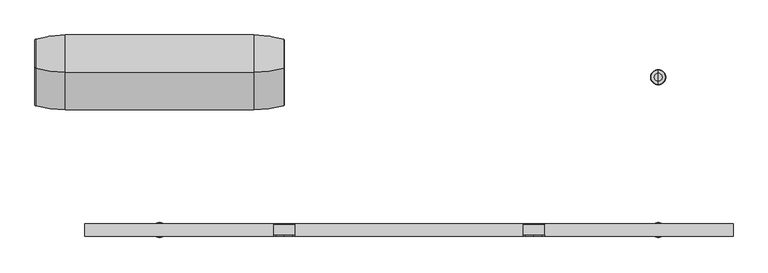
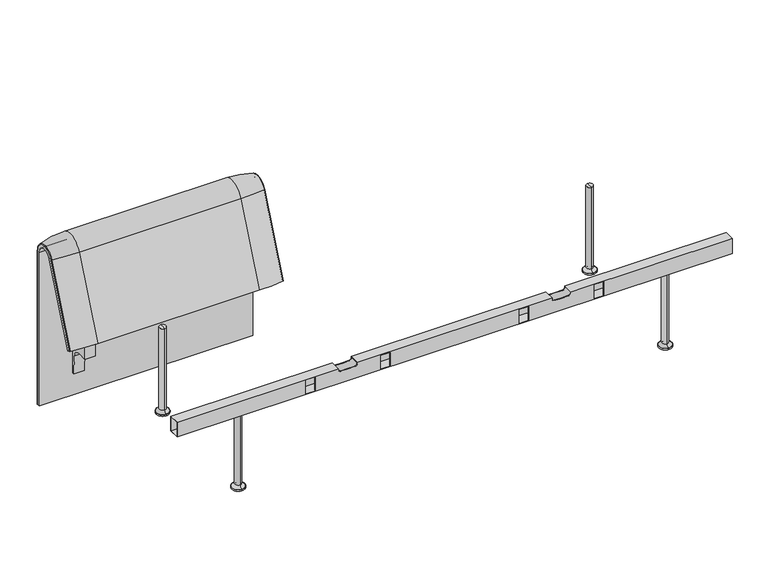
"""IFC4 building model written with IfcOpenShell, lengths in millimetres: furniture geometry."""

from ifc_helpers import new_model, si_unit, point, frame, frame_2d, origin, place, context, project, spatial, polyline, circle_curve, ellipse_curve, trimmed, segment, composite_curve, outline, extrude, source, transform, mapped, element, save
from ifc_brep_helpers import plane_surface, cylinder_surface, revolved_surface, advanced_brep


def furniture_6b040ae8(model_context):
    return source(origin(), model_context, "Body", "SolidModel", [
        advanced_brep(
        [(-507.9740803, 388.2902376, 100.5089435), (-410.1127088, 373.93893, 100.5089435), (-407.9740803, 371.0652495, 100.5089435), (-407.9740803, 359.7858817, 100.5089435), (-1223.9884174, 359.7858817, 100.5089435), (-1223.9884174, 371.0652495, 100.5089435), (-1221.8497889, 373.93893, 100.5089435), (-1123.9884174, 388.2902376, 100.5089435), (-1123.9884174, 388.2902376, 720.3417731), (-507.9740803, 388.2902376, 720.3417731), (-410.1127088, 373.93893, 720.3417731), (-407.9740803, 371.0652495, 720.3417731), (-407.9740803, 282.0164812, 738.0210907), (-407.9740803, 159.7723383, 442.2908598), (-407.9740803, 170.1962447, 437.9819952), (-407.9740803, 292.4403877, 733.7122262), (-407.9740803, 359.7858817, 720.3417731), (-1223.9884174, 359.7858817, 720.3417731), (-507.9740803, 143.8537454, 448.8710282), (-1123.9884174, 143.8537454, 448.8710282), (-1221.8497889, 157.1166065, 443.3886429), (-1223.9884174, 159.7723383, 442.2908598), (-1223.9884174, 170.1962447, 437.9819952), (-410.1127088, 157.1166065, 443.3886429), (-507.9740803, 266.0978884, 744.6012592), (-1123.9884174, 266.0978884, 744.6012592), (-410.1127088, 279.3607494, 739.1188739), (-1223.9884174, 292.4403877, 733.7122262), (-1223.9884174, 282.0164812, 738.0210907), (-1223.9884174, 371.0652495, 720.3417731), (-1221.8497889, 373.93893, 720.3417731), (-1221.8497889, 279.3607494, 739.1188739)],
        [
            (0, 1, circle_curve(frame((-507.9740803, 47.4569043, 100.5089435), z_axis=(0.0, 0.0, -1.0), x_axis=(0.0, -1.0, 0.0)), 340.8333333)),
            (1, 2, circle_curve(frame((-410.9740803, 371.0652495, 100.5089435), z_axis=(0.0, 0.0, -1.0), x_axis=(1.0, 0.0, 0.0)), 3.0)),
            (2, 3),
            (3, 4),
            (4, 5),
            (5, 6, circle_curve(frame((-1220.9884174, 371.0652495, 100.5089435), z_axis=(0.0, 0.0, -1.0), x_axis=(-1.0, 0.0, 0.0)), 3.0)),
            (6, 7, circle_curve(frame((-1123.9884174, 47.4569043, 100.5089435), z_axis=(0.0, 0.0, -1.0), x_axis=(0.0, -1.0, 0.0)), 340.8333333)),
            (7, 0),
            (7, 8),
            (8, 9),
            (9, 0),
            (9, 10, circle_curve(frame((-507.9740803, 47.4569043, 720.3417731), z_axis=(0.0, 0.0, -1.0), x_axis=(0.0, -1.0, 0.0)), 340.8333333)),
            (10, 1),
            (10, 11, circle_curve(frame((-410.9740803, 371.0652495, 720.3417731), z_axis=(0.0, 0.0, -1.0), x_axis=(1.0, 0.0, 0.0)), 3.0)),
            (11, 2),
            (11, 12, circle_curve(frame((-407.9740803, 324.7858817, 720.3417731), z_axis=(1.0, 0.0, 0.0), x_axis=(0.0, 1.0, 0.0)), 46.2793679)),
            (12, 13),
            (13, 14),
            (14, 15),
            (15, 16, circle_curve(frame((-407.9740803, 324.7858817, 720.3417731), z_axis=(-1.0, 0.0, 0.0), x_axis=(0.0, 1.0, 0.0)), 35.0)),
            (16, 3),
            (16, 17),
            (17, 4),
            (18, 19),
            (19, 20, circle_curve(frame((-1123.9884174, 458.8372467, 318.6682822), z_axis=(0.0, -0.38201294675155345, -0.9241569717933176), x_axis=(0.0, 0.9241569717933176, -0.38201294675155345)), 340.8333333)),
            (20, 21, circle_curve(frame((-1220.9884174, 159.7723383, 442.2908598), z_axis=(0.0, -0.38201294675155345, -0.9241569717933176), x_axis=(-1.0, 0.0, 0.0)), 3.0)),
            (21, 22),
            (22, 14),
            (13, 23, circle_curve(frame((-410.9740803, 159.7723383, 442.2908598), z_axis=(0.0, -0.38201294675155345, -0.9241569717933176), x_axis=(1.0, 0.0, 0.0)), 3.0)),
            (23, 18, circle_curve(frame((-507.9740803, 458.8372467, 318.6682822), z_axis=(0.0, -0.38201294675155345, -0.9241569717933176), x_axis=(0.0, 0.9241569717933176, -0.38201294675155345)), 340.8333333)),
            (24, 9, circle_curve(frame((-507.9740803, 324.7858817, 720.3417731), z_axis=(-1.0, 0.0, 0.0), x_axis=(0.0, 1.0, 0.0)), 63.5043559)),
            (8, 25, circle_curve(frame((-1123.9884174, 324.7858817, 720.3417731), z_axis=(1.0, 0.0, 0.0), x_axis=(0.0, 1.0, 0.0)), 63.5043559)),
            (25, 24),
            (26, 10, circle_curve(frame((-410.1127088, 324.7858817, 720.3417731), z_axis=(-1.0, 0.0, 0.0), x_axis=(0.0, 1.0, 0.0)), 49.1530483)),
            (24, 26, circle_curve(frame((-507.9740803, 581.0813896, 614.3985132), z_axis=(0.0, 0.382012946751556, 0.9241569717933165), x_axis=(0.0, 0.9241569717933165, -0.382012946751556)), 340.8333333)),
            (26, 12, circle_curve(frame((-410.9740803, 282.0164812, 738.0210907), z_axis=(0.0, 0.3820129467515552, 0.9241569717933168), x_axis=(1.0, 0.0, 0.0)), 3.0)),
            (27, 17, circle_curve(frame((-1223.9884174, 324.7858817, 720.3417731), z_axis=(-1.0, 0.0, 0.0), x_axis=(0.0, 1.0, 0.0)), 35.0)),
            (15, 27),
            (25, 19),
            (18, 24),
            (23, 26),
            (22, 27),
            (21, 28),
            (28, 29, circle_curve(frame((-1223.9884174, 324.7858817, 720.3417731), z_axis=(-1.0, 0.0, 0.0), x_axis=(0.0, 1.0, 0.0)), 46.2793679)),
            (29, 5),
            (29, 30, circle_curve(frame((-1220.9884174, 371.0652495, 720.3417731), z_axis=(0.0, 0.0, -1.0), x_axis=(-1.0, 0.0, 0.0)), 3.0)),
            (30, 6),
            (30, 8, circle_curve(frame((-1123.9884174, 47.4569043, 720.3417731), z_axis=(0.0, 0.0, -1.0), x_axis=(0.0, -1.0, 0.0)), 340.8333333)),
            (31, 30, circle_curve(frame((-1221.8497889, 324.7858817, 720.3417731), z_axis=(-1.0, 0.0, 0.0), x_axis=(0.0, 1.0, 0.0)), 49.1530483)),
            (28, 31, circle_curve(frame((-1220.9884174, 282.0164812, 738.0210907), z_axis=(0.0, 0.3820129467515544, 0.9241569717933172), x_axis=(-1.0, 0.0, 0.0)), 3.0)),
            (31, 25, circle_curve(frame((-1123.9884174, 581.0813896, 614.3985132), z_axis=(0.0, 0.3820129467515532, 0.9241569717933177), x_axis=(0.0, 0.9241569717933177, -0.3820129467515532)), 340.8333333)),
            (20, 31),
        ],
        [
            plane_surface(frame((-811.2162256, 359.7858817, 100.5089435), z_axis=(0.0, 0.0, -1.0), x_axis=(1.0, 0.0, 0.0))),
            plane_surface(frame((-1123.9884174, 388.2902376, 100.5089435), z_axis=(0.0, 1.0, 0.0), x_axis=(0.0, 0.0, 1.0))),
            cylinder_surface(frame((-507.9740803, 47.4569043, 100.5089435), z_axis=(0.0, 0.0, -1.0), x_axis=(0.0, -1.0, 0.0)), 340.8333333),
            cylinder_surface(frame((-410.9740803, 371.0652495, 100.5089435), z_axis=(0.0, 0.0, -1.0), x_axis=(1.0, 0.0, 0.0)), 3.0),
            plane_surface(frame((-407.9740803, 371.0652495, 100.5089435), z_axis=(1.0, 0.0, 0.0), x_axis=(0.0, 0.0, 1.0))),
            plane_surface(frame((-407.9740803, 359.7858817, 100.5089435), z_axis=(0.0, -1.0, 0.0), x_axis=(0.0, 0.0, 1.0))),
            plane_surface(frame((-811.2162256, 170.1962447, 437.9819952), z_axis=(0.0, -0.38201294675155345, -0.9241569717933176), x_axis=(1.0, 0.0, 0.0))),
            cylinder_surface(frame((-811.2162256, 324.7858817, 720.3417731), z_axis=(1.0, 0.0, 0.0), x_axis=(0.0, 1.0, 0.0)), 63.5043559),
            revolved_surface(trimmed(ellipse_curve(frame((-507.9740803, 47.4569043, 720.3417731), z_axis=(0.0, 0.0, -1.0), x_axis=(0.0, -1.0, 0.0)), 340.8333333, 340.8333333), [point((-507.9740803, 388.2902376, 720.3417731))], [point((-410.1127088, 373.93893, 720.3417731))], True, "CARTESIAN"), (-811.2162256, 324.7858817, 720.3417731), (1.0, 0.0, 0.0)),
            revolved_surface(trimmed(ellipse_curve(frame((-410.9740803, 371.0652495, 720.3417731), z_axis=(0.0, 0.0, -1.0), x_axis=(1.0, 0.0, 0.0)), 3.0, 3.0), [point((-410.1127088, 373.93893, 720.3417731))], [point((-407.9740803, 371.0652495, 720.3417731))], True, "CARTESIAN"), (-811.2162256, 324.7858817, 720.3417731), (1.0, 0.0, 0.0)),
            revolved_surface(polyline([(-407.9740803, 359.7858817, 720.3417731), (-1223.9884174, 359.7858817, 720.3417731)]), (-811.2162256, 324.7858817, 720.3417731), (1.0, 0.0, 0.0)),
            plane_surface(frame((-1123.9884174, 266.0978884, 744.6012592), z_axis=(0.0, -0.9241569717933176, 0.38201294675155356), x_axis=(0.0, -0.38201294675155356, -0.9241569717933176))),
            cylinder_surface(frame((-507.9740803, 581.0813896, 614.3985132), z_axis=(0.0, 0.38201294675155345, 0.9241569717933176), x_axis=(0.0, 0.9241569717933176, -0.38201294675155345)), 340.8333333),
            cylinder_surface(frame((-410.9740803, 282.0164812, 738.0210907), z_axis=(0.0, 0.38201294675155345, 0.9241569717933176), x_axis=(1.0, 0.0, 0.0)), 3.0),
            plane_surface(frame((-407.9740803, 292.4403877, 733.7122262), z_axis=(0.0, 0.9241569717933176, -0.38201294675155356), x_axis=(0.0, -0.38201294675155356, -0.9241569717933176))),
            plane_surface(frame((-1223.9884174, 359.7858817, 100.5089435), z_axis=(-1.0, 0.0, 0.0), x_axis=(0.0, 0.0, 1.0))),
            cylinder_surface(frame((-1220.9884174, 371.0652495, 100.5089435), z_axis=(0.0, 0.0, -1.0), x_axis=(-1.0, 0.0, 0.0)), 3.0),
            cylinder_surface(frame((-1123.9884174, 47.4569043, 100.5089435), z_axis=(0.0, 0.0, -1.0), x_axis=(0.0, -1.0, 0.0)), 340.8333333),
            revolved_surface(trimmed(ellipse_curve(frame((-1220.9884174, 371.0652495, 720.3417731), z_axis=(0.0, 0.0, -1.0), x_axis=(-1.0, 0.0, 0.0)), 3.0, 3.0), [point((-1223.9884174, 371.0652495, 720.3417731))], [point((-1221.8497889, 373.93893, 720.3417731))], True, "CARTESIAN"), (-811.2162256, 324.7858817, 720.3417731), (1.0, 0.0, 0.0)),
            revolved_surface(trimmed(ellipse_curve(frame((-1123.9884174, 47.4569043, 720.3417731), z_axis=(0.0, 0.0, -1.0), x_axis=(0.0, -1.0, 0.0)), 340.8333333, 340.8333333), [point((-1221.8497889, 373.93893, 720.3417731))], [point((-1123.9884174, 388.2902376, 720.3417731))], True, "CARTESIAN"), (-811.2162256, 324.7858817, 720.3417731), (1.0, 0.0, 0.0)),
            cylinder_surface(frame((-1220.9884174, 282.0164812, 738.0210907), z_axis=(0.0, 0.38201294675155345, 0.9241569717933176), x_axis=(-1.0, 0.0, 0.0)), 3.0),
            cylinder_surface(frame((-1123.9884174, 581.0813896, 614.3985132), z_axis=(0.0, 0.38201294675155345, 0.9241569717933176), x_axis=(0.0, 0.9241569717933176, -0.38201294675155345)), 340.8333333),
        ],
        [
            (0, [[1, 2, 3, 4, 5, 6, 7, 8]]),
            (1, [[-8, 9, 10, 11]]),
            (2, [[-1, -11, 12, 13]]),
            (3, [[-2, -13, 14, 15]]),
            (4, [[-3, -15, 16, 17, 18, 19, 20, 21]]),
            (5, [[-4, -21, 22, 23]]),
            (6, [[24, 25, 26, 27, 28, -18, 29, 30]]),
            (7, [[31, -10, 32, 33]]),
            (8, [[34, -12, -31, 35]]),
            (9, [[-16, -14, -34, 36]]),
            (10, [[37, -22, -20, 38]]),
            (11, [[-33, 39, -24, 40]]),
            (12, [[-35, -40, -30, 41]]),
            (13, [[-36, -41, -29, -17]]),
            (14, [[-38, -19, -28, 42]]),
            (15, [[-5, -23, -37, -42, -27, 43, 44, 45]]),
            (16, [[-6, -45, 46, 47]]),
            (17, [[-7, -47, 48, -9]]),
            (18, [[49, -46, -44, 50]]),
            (19, [[-32, -48, -49, 51]]),
            (20, [[-50, -43, -26, 52]]),
            (21, [[-51, -52, -25, -39]]),
        ],
    ),
        extrude(outline(composite_curve([segment(trimmed(circle_curve(frame_2d((305.0000061, 379.9223263)), 30.0), [point((305.0000061, 349.9223263))], [point((335.0000061, 379.9223263))], True, "CARTESIAN"), True, "CONTINUOUS"), segment(polyline([(335.0000061, 379.9223263), (335.0000061, 515.0657595)]), True, "CONTINUOUS"), segment(trimmed(circle_curve(frame_2d((305.0000061, 515.0657595)), 30.0), [point((335.0000061, 515.0657595))], [point((316.7219399, 542.6809051))], True, "CARTESIAN"), True, "CONTINUOUS"), segment(polyline([(316.7219399, 542.6809051), (257.4911714, 567.8228747)]), True, "CONTINUOUS"), segment(trimmed(circle_curve(frame_2d((251.6302045, 554.0153019)), 15.0), [point((257.4911714, 567.8228747))], [point((238.0355877, 560.3545758))], True, "CARTESIAN"), True, "CONTINUOUS"), segment(polyline([(238.0355877, 560.3545758), (222.2725218, 526.5505721), (213.7507451, 529.5682915), (296.3054528, 724.0549949)]), True, "CONTINUOUS"), segment(trimmed(circle_curve(frame_2d((322.520748, 712.9272623)), 28.479258), [point((296.3054528, 724.0549949))], [point((351.0000061, 712.9272623))], False, "CARTESIAN"), True, "CONTINUOUS"), segment(polyline([(351.0000061, 712.9272623), (351.0000061, 197.0551771), (343.3075759, 197.0551771), (339.4064861, 271.492405)]), True, "CONTINUOUS"), segment(trimmed(circle_curve(frame_2d((309.4476, 269.9223263)), 30.0), [point((339.4064861, 271.492405))], [point((309.4476, 299.9223263))], True, "CARTESIAN"), True, "CONTINUOUS"), segment(polyline([(309.4476, 299.9223263), (270.0000061, 299.9223263), (270.0000061, 359.9223263), (275.0000061, 359.9223263)]), True, "CONTINUOUS"), segment(trimmed(circle_curve(frame_2d((285.0000061, 359.9223263)), 10.0), [point((275.0000061, 359.9223263))], [point((285.0000061, 349.9223263))], True, "CARTESIAN"), True, "CONTINUOUS"), segment(polyline([(285.0000061, 349.9223263), (305.0000061, 349.9223263)]), True, "CONTINUOUS")], self_intersect=False), holes=[composite_curve([segment(polyline([(337.5000061, 576.3274105), (337.5000061, 716.7072663)]), True, "CONTINUOUS"), segment(trimmed(circle_curve(frame_2d((322.5000061, 716.7072663)), 15.0), [point((337.5000061, 716.7072663))], [point((308.9053893, 723.0465402))], True, "CARTESIAN"), True, "CONTINUOUS"), segment(polyline([(308.9053893, 723.0465402), (253.6256191, 604.4986904)]), True, "CONTINUOUS"), segment(trimmed(circle_curve(frame_2d((271.7517748, 596.0463251)), 20.0), [point((253.6256191, 604.4986904))], [point((265.0756376, 577.1934953))], True, "CARTESIAN"), True, "CONTINUOUS"), segment(polyline([(265.0756376, 577.1934953), (314.1406626, 559.8186587)]), True, "CONTINUOUS"), segment(trimmed(circle_curve(frame_2d((319.9867182, 576.3274105)), 17.5132879), [point((314.1406626, 559.8186587))], [point((337.5000061, 576.3274105))], True, "CARTESIAN"), True, "CONTINUOUS")], self_intersect=False)]), frame((-1100.9760457, 0.0, 0.0), z_axis=(1.0, 0.0, 0.0), x_axis=(0.0, 1.0, 0.0)), (0.0, 0.0, 1.0), 40.0),
        advanced_brep(
        [(815.9812488, -250.0000031, 0.0), (815.9812488, -225.0000031, 0.0), (815.9812488, -275.0000031, 0.0), (815.9812488, -262.4715672, 344.8637637), (815.9812488, -237.5284391, 344.8637637), (815.9812488, -250.0000031, 344.8637637), (815.9812488, -262.4715672, 16.2604994), (815.9812488, -237.5284391, 16.2604994), (815.9812488, -273.2294713, 5.5025953), (815.9812488, -226.770535, 5.5025953), (815.9812488, -275.0000031, 5.5025953), (815.9812488, -225.0000031, 5.5025953)],
        [
            (0, 1),
            (1, 2, circle_curve(frame((815.9812488, -250.0000031, 0.0), z_axis=(0.0, 0.0, -1.0), x_axis=(0.0, 1.0, 0.0)), 25.0)),
            (2, 0),
            (2, 1, circle_curve(frame((815.9812488, -250.0000031, 0.0), z_axis=(0.0, 0.0, -1.0), x_axis=(0.0, 1.0, 0.0)), 25.0)),
            (3, 4, circle_curve(frame((815.9812488, -250.0000031, 344.8637637), z_axis=(0.0, 0.0, 1.0), x_axis=(0.0, 1.0, 0.0)), 12.471564)),
            (4, 5),
            (5, 3),
            (4, 3, circle_curve(frame((815.9812488, -250.0000031, 344.8637637), z_axis=(0.0, 0.0, 1.0), x_axis=(0.0, 1.0, 0.0)), 12.471564)),
            (6, 7, circle_curve(frame((815.9812488, -250.0000031, 16.2604994), z_axis=(0.0, 0.0, 1.0), x_axis=(0.0, 1.0, 0.0)), 12.471564)),
            (7, 4),
            (3, 6),
            (7, 6, circle_curve(frame((815.9812488, -250.0000031, 16.2604994), z_axis=(0.0, 0.0, 1.0), x_axis=(0.0, 1.0, 0.0)), 12.471564)),
            (8, 9, circle_curve(frame((815.9812488, -250.0000031, 5.5025953), z_axis=(0.0, 0.0, 1.0), x_axis=(0.0, 1.0, 0.0)), 23.2294681)),
            (9, 7, circle_curve(frame((815.9812488, -226.770535, 16.2604994), z_axis=(-1.0, 0.0, 0.0), x_axis=(0.0, 1.0, 0.0)), 10.7579041)),
            (6, 8, circle_curve(frame((815.9812488, -273.2294713, 16.2604994), z_axis=(-1.0, 0.0, 0.0), x_axis=(0.0, -1.0, 0.0)), 10.7579041)),
            (9, 8, circle_curve(frame((815.9812488, -250.0000031, 5.5025953), z_axis=(0.0, 0.0, 1.0), x_axis=(0.0, 1.0, 0.0)), 23.2294681)),
            (10, 11, circle_curve(frame((815.9812488, -250.0000031, 5.5025953), z_axis=(0.0, 0.0, 1.0), x_axis=(0.0, 1.0, 0.0)), 25.0)),
            (11, 9),
            (8, 10),
            (11, 10, circle_curve(frame((815.9812488, -250.0000031, 5.5025953), z_axis=(0.0, 0.0, 1.0), x_axis=(0.0, 1.0, 0.0)), 25.0)),
            (1, 11),
            (10, 2),
        ],
        [
            plane_surface(frame((815.9812488, -250.0000031, 0.0), z_axis=(0.0, 0.0, -1.0), x_axis=(0.0, 1.0, 0.0))),
            plane_surface(frame((815.9812488, -250.0000031, 344.8637637), z_axis=(0.0, 0.0, 1.0), x_axis=(0.0, 1.0, 0.0))),
            cylinder_surface(frame((815.9812488, -250.0000031, 344.8637637), z_axis=(0.0, 0.0, -1.0), x_axis=(0.0, 1.0, 0.0)), 12.471564),
            revolved_surface(trimmed(ellipse_curve(frame((815.9812488, -226.770535, 16.2604994), z_axis=(1.0, 0.0, 0.0), x_axis=(0.0, 1.0, 0.0)), 10.7579041, 10.7579041), [point((815.9812488, -237.5284391, 16.2604994))], [point((815.9812488, -226.770535, 5.5025953))], True, "CARTESIAN"), (815.9812488, -250.0000031, 344.8637637), (0.0, 0.0, -1.0)),
            plane_surface(frame((815.9812488, -250.0000031, 5.5025953), z_axis=(0.0, 0.0, 1.0), x_axis=(0.0, 1.0, 0.0))),
            cylinder_surface(frame((815.9812488, -250.0000031, 344.8637637), z_axis=(0.0, 0.0, -1.0), x_axis=(0.0, 1.0, 0.0)), 25.0),
        ],
        [
            (0, [[1, 2, 3]]),
            (0, [[-3, 4, -1]]),
            (1, [[5, 6, 7]]),
            (1, [[8, -7, -6]]),
            (2, [[9, 10, -5, 11]]),
            (2, [[12, -11, -8, -10]]),
            (3, [[13, 14, -9, 15]]),
            (3, [[16, -15, -12, -14]]),
            (4, [[17, 18, -13, 19]]),
            (4, [[20, -19, -16, -18]]),
            (5, [[-2, 21, -17, 22]]),
            (5, [[-4, -22, -20, -21]]),
        ],
    ),
        advanced_brep(
        [(815.9812488, 275.0000031, 0.0), (815.9812488, 225.0000031, 0.0), (815.9812488, 250.0000031, 0.0), (815.9812488, 250.0000031, 344.8637637), (815.9812488, 237.5284391, 344.8637637), (815.9812488, 262.4715672, 344.8637637), (815.9812488, 237.5284391, 16.2604994), (815.9812488, 262.4715672, 16.2604994), (815.9812488, 226.770535, 5.5025953), (815.9812488, 273.2294713, 5.5025953), (815.9812488, 225.0000031, 5.5025953), (815.9812488, 275.0000031, 5.5025953)],
        [
            (0, 1, circle_curve(frame((815.9812488, 250.0000031, 0.0), z_axis=(0.0, 0.0, -1.0), x_axis=(0.0, -1.0, 0.0)), 25.0)),
            (1, 2),
            (2, 0),
            (1, 0, circle_curve(frame((815.9812488, 250.0000031, 0.0), z_axis=(0.0, 0.0, -1.0), x_axis=(0.0, -1.0, 0.0)), 25.0)),
            (3, 4),
            (4, 5, circle_curve(frame((815.9812488, 250.0000031, 344.8637637), z_axis=(0.0, 0.0, 1.0), x_axis=(0.0, -1.0, 0.0)), 12.471564)),
            (5, 3),
            (5, 4, circle_curve(frame((815.9812488, 250.0000031, 344.8637637), z_axis=(0.0, 0.0, 1.0), x_axis=(0.0, -1.0, 0.0)), 12.471564)),
            (4, 6),
            (6, 7, circle_curve(frame((815.9812488, 250.0000031, 16.2604994), z_axis=(0.0, 0.0, 1.0), x_axis=(0.0, -1.0, 0.0)), 12.471564)),
            (7, 5),
            (7, 6, circle_curve(frame((815.9812488, 250.0000031, 16.2604994), z_axis=(0.0, 0.0, 1.0), x_axis=(0.0, -1.0, 0.0)), 12.471564)),
            (6, 8, circle_curve(frame((815.9812488, 226.770535, 16.2604994), z_axis=(-1.0, 0.0, 0.0), x_axis=(0.0, -1.0, 0.0)), 10.7579041)),
            (8, 9, circle_curve(frame((815.9812488, 250.0000031, 5.5025953), z_axis=(0.0, 0.0, 1.0), x_axis=(0.0, -1.0, 0.0)), 23.2294681)),
            (9, 7, circle_curve(frame((815.9812488, 273.2294713, 16.2604994), z_axis=(-1.0, 0.0, 0.0), x_axis=(0.0, 1.0, 0.0)), 10.7579041)),
            (9, 8, circle_curve(frame((815.9812488, 250.0000031, 5.5025953), z_axis=(0.0, 0.0, 1.0), x_axis=(0.0, -1.0, 0.0)), 23.2294681)),
            (8, 10),
            (10, 11, circle_curve(frame((815.9812488, 250.0000031, 5.5025953), z_axis=(0.0, 0.0, 1.0), x_axis=(0.0, -1.0, 0.0)), 25.0)),
            (11, 9),
            (11, 10, circle_curve(frame((815.9812488, 250.0000031, 5.5025953), z_axis=(0.0, 0.0, 1.0), x_axis=(0.0, -1.0, 0.0)), 25.0)),
            (10, 1),
            (0, 11),
        ],
        [
            plane_surface(frame((815.9812488, 250.0000031, 0.0), z_axis=(0.0, 0.0, -1.0), x_axis=(0.0, -1.0, 0.0))),
            plane_surface(frame((815.9812488, 250.0000031, 344.8637637), z_axis=(0.0, 0.0, 1.0), x_axis=(0.0, -1.0, 0.0))),
            cylinder_surface(frame((815.9812488, 250.0000031, 344.8637637), z_axis=(0.0, 0.0, 1.0), x_axis=(0.0, -1.0, 0.0)), 12.471564),
            revolved_surface(trimmed(ellipse_curve(frame((815.9812488, 226.770535, 16.2604994), z_axis=(1.0, 0.0, 0.0), x_axis=(0.0, -1.0, 0.0)), 10.7579041, 10.7579041), [point((815.9812488, 226.770535, 5.5025953))], [point((815.9812488, 237.5284391, 16.2604994))], True, "CARTESIAN"), (815.9812488, 250.0000031, 344.8637637), (0.0, 0.0, 1.0)),
            plane_surface(frame((815.9812488, 250.0000031, 5.5025953), z_axis=(0.0, 0.0, 1.0), x_axis=(0.0, -1.0, 0.0))),
            cylinder_surface(frame((815.9812488, 250.0000031, 344.8637637), z_axis=(0.0, 0.0, 1.0), x_axis=(0.0, -1.0, 0.0)), 25.0),
        ],
        [
            (0, [[1, 2, 3]]),
            (0, [[4, -3, -2]]),
            (1, [[5, 6, 7]]),
            (1, [[-7, 8, -5]]),
            (2, [[-6, 9, 10, 11]]),
            (2, [[-8, -11, 12, -9]]),
            (3, [[-10, 13, 14, 15]]),
            (3, [[-12, -15, 16, -13]]),
            (4, [[-14, 17, 18, 19]]),
            (4, [[-16, -19, 20, -17]]),
            (5, [[-18, 21, -1, 22]]),
            (5, [[-20, -22, -4, -21]]),
        ],
    ),
        advanced_brep(
        [(-815.9812488, -275.0000031, 0.0), (-815.9812488, -225.0000031, 0.0), (-815.9812488, -250.0000031, 0.0), (-815.9812488, -250.0000031, 344.8637637), (-815.9812488, -237.5284391, 344.8637637), (-815.9812488, -262.4715672, 344.8637637), (-815.9812488, -237.5284391, 16.2604994), (-815.9812488, -262.4715672, 16.2604994), (-815.9812488, -226.770535, 5.5025953), (-815.9812488, -273.2294713, 5.5025953), (-815.9812488, -225.0000031, 5.5025953), (-815.9812488, -275.0000031, 5.5025953)],
        [
            (0, 1, circle_curve(frame((-815.9812488, -250.0000031, 0.0), z_axis=(0.0, 0.0, -1.0), x_axis=(0.0, 1.0, 0.0)), 25.0)),
            (1, 2),
            (2, 0),
            (1, 0, circle_curve(frame((-815.9812488, -250.0000031, 0.0), z_axis=(0.0, 0.0, -1.0), x_axis=(0.0, 1.0, 0.0)), 25.0)),
            (3, 4),
            (4, 5, circle_curve(frame((-815.9812488, -250.0000031, 344.8637637), z_axis=(0.0, 0.0, 1.0), x_axis=(0.0, 1.0, 0.0)), 12.471564)),
            (5, 3),
            (5, 4, circle_curve(frame((-815.9812488, -250.0000031, 344.8637637), z_axis=(0.0, 0.0, 1.0), x_axis=(0.0, 1.0, 0.0)), 12.471564)),
            (4, 6),
            (6, 7, circle_curve(frame((-815.9812488, -250.0000031, 16.2604994), z_axis=(0.0, 0.0, 1.0), x_axis=(0.0, 1.0, 0.0)), 12.471564)),
            (7, 5),
            (7, 6, circle_curve(frame((-815.9812488, -250.0000031, 16.2604994), z_axis=(0.0, 0.0, 1.0), x_axis=(0.0, 1.0, 0.0)), 12.471564)),
            (6, 8, circle_curve(frame((-815.9812488, -226.770535, 16.2604994), z_axis=(1.0, 0.0, 0.0), x_axis=(0.0, 1.0, 0.0)), 10.7579041)),
            (8, 9, circle_curve(frame((-815.9812488, -250.0000031, 5.5025953), z_axis=(0.0, 0.0, 1.0), x_axis=(0.0, 1.0, 0.0)), 23.2294681)),
            (9, 7, circle_curve(frame((-815.9812488, -273.2294713, 16.2604994), z_axis=(1.0, 0.0, 0.0), x_axis=(0.0, -1.0, 0.0)), 10.7579041)),
            (9, 8, circle_curve(frame((-815.9812488, -250.0000031, 5.5025953), z_axis=(0.0, 0.0, 1.0), x_axis=(0.0, 1.0, 0.0)), 23.2294681)),
            (8, 10),
            (10, 11, circle_curve(frame((-815.9812488, -250.0000031, 5.5025953), z_axis=(0.0, 0.0, 1.0), x_axis=(0.0, 1.0, 0.0)), 25.0)),
            (11, 9),
            (11, 10, circle_curve(frame((-815.9812488, -250.0000031, 5.5025953), z_axis=(0.0, 0.0, 1.0), x_axis=(0.0, 1.0, 0.0)), 25.0)),
            (10, 1),
            (0, 11),
        ],
        [
            plane_surface(frame((-815.9812488, -250.0000031, 0.0), z_axis=(0.0, 0.0, -1.0), x_axis=(0.0, 1.0, 0.0))),
            plane_surface(frame((-815.9812488, -250.0000031, 344.8637637), z_axis=(0.0, 0.0, 1.0), x_axis=(0.0, 1.0, 0.0))),
            cylinder_surface(frame((-815.9812488, -250.0000031, 344.8637637), z_axis=(0.0, 0.0, 1.0), x_axis=(0.0, 1.0, 0.0)), 12.471564),
            revolved_surface(trimmed(ellipse_curve(frame((-815.9812488, -226.770535, 16.2604994), z_axis=(-1.0, 0.0, 0.0), x_axis=(0.0, 1.0, 0.0)), 10.7579041, 10.7579041), [point((-815.9812488, -226.770535, 5.5025953))], [point((-815.9812488, -237.5284391, 16.2604994))], True, "CARTESIAN"), (-815.9812488, -250.0000031, 344.8637637), (0.0, 0.0, 1.0)),
            plane_surface(frame((-815.9812488, -250.0000031, 5.5025953), z_axis=(0.0, 0.0, 1.0), x_axis=(0.0, 1.0, 0.0))),
            cylinder_surface(frame((-815.9812488, -250.0000031, 344.8637637), z_axis=(0.0, 0.0, 1.0), x_axis=(0.0, 1.0, 0.0)), 25.0),
        ],
        [
            (0, [[1, 2, 3]]),
            (0, [[4, -3, -2]]),
            (1, [[5, 6, 7]]),
            (1, [[-7, 8, -5]]),
            (2, [[-6, 9, 10, 11]]),
            (2, [[-8, -11, 12, -9]]),
            (3, [[-10, 13, 14, 15]]),
            (3, [[-12, -15, 16, -13]]),
            (4, [[-14, 17, 18, 19]]),
            (4, [[-16, -19, 20, -17]]),
            (5, [[-18, 21, -1, 22]]),
            (5, [[-20, -22, -4, -21]]),
        ],
    ),
        advanced_brep(
        [(-815.9812488, 250.0000031, 0.0), (-815.9812488, 225.0000031, 0.0), (-815.9812488, 275.0000031, 0.0), (-815.9812488, 262.4715672, 344.8637637), (-815.9812488, 237.5284391, 344.8637637), (-815.9812488, 250.0000031, 344.8637637), (-815.9812488, 262.4715672, 16.2604994), (-815.9812488, 237.5284391, 16.2604994), (-815.9812488, 273.2294713, 5.5025953), (-815.9812488, 226.770535, 5.5025953), (-815.9812488, 275.0000031, 5.5025953), (-815.9812488, 225.0000031, 5.5025953)],
        [
            (0, 1),
            (1, 2, circle_curve(frame((-815.9812488, 250.0000031, 0.0), z_axis=(0.0, 0.0, -1.0), x_axis=(0.0, -1.0, 0.0)), 25.0)),
            (2, 0),
            (2, 1, circle_curve(frame((-815.9812488, 250.0000031, 0.0), z_axis=(0.0, 0.0, -1.0), x_axis=(0.0, -1.0, 0.0)), 25.0)),
            (3, 4, circle_curve(frame((-815.9812488, 250.0000031, 344.8637637), z_axis=(0.0, 0.0, 1.0), x_axis=(0.0, -1.0, 0.0)), 12.471564)),
            (4, 5),
            (5, 3),
            (4, 3, circle_curve(frame((-815.9812488, 250.0000031, 344.8637637), z_axis=(0.0, 0.0, 1.0), x_axis=(0.0, -1.0, 0.0)), 12.471564)),
            (6, 7, circle_curve(frame((-815.9812488, 250.0000031, 16.2604994), z_axis=(0.0, 0.0, 1.0), x_axis=(0.0, -1.0, 0.0)), 12.471564)),
            (7, 4),
            (3, 6),
            (7, 6, circle_curve(frame((-815.9812488, 250.0000031, 16.2604994), z_axis=(0.0, 0.0, 1.0), x_axis=(0.0, -1.0, 0.0)), 12.471564)),
            (8, 9, circle_curve(frame((-815.9812488, 250.0000031, 5.5025953), z_axis=(0.0, 0.0, 1.0), x_axis=(0.0, -1.0, 0.0)), 23.2294681)),
            (9, 7, circle_curve(frame((-815.9812488, 226.770535, 16.2604994), z_axis=(1.0, 0.0, 0.0), x_axis=(0.0, -1.0, 0.0)), 10.7579041)),
            (6, 8, circle_curve(frame((-815.9812488, 273.2294713, 16.2604994), z_axis=(1.0, 0.0, 0.0), x_axis=(0.0, 1.0, 0.0)), 10.7579041)),
            (9, 8, circle_curve(frame((-815.9812488, 250.0000031, 5.5025953), z_axis=(0.0, 0.0, 1.0), x_axis=(0.0, -1.0, 0.0)), 23.2294681)),
            (10, 11, circle_curve(frame((-815.9812488, 250.0000031, 5.5025953), z_axis=(0.0, 0.0, 1.0), x_axis=(0.0, -1.0, 0.0)), 25.0)),
            (11, 9),
            (8, 10),
            (11, 10, circle_curve(frame((-815.9812488, 250.0000031, 5.5025953), z_axis=(0.0, 0.0, 1.0), x_axis=(0.0, -1.0, 0.0)), 25.0)),
            (1, 11),
            (10, 2),
        ],
        [
            plane_surface(frame((-815.9812488, 250.0000031, 0.0), z_axis=(0.0, 0.0, -1.0), x_axis=(0.0, -1.0, 0.0))),
            plane_surface(frame((-815.9812488, 250.0000031, 344.8637637), z_axis=(0.0, 0.0, 1.0), x_axis=(0.0, -1.0, 0.0))),
            cylinder_surface(frame((-815.9812488, 250.0000031, 344.8637637), z_axis=(0.0, 0.0, -1.0), x_axis=(0.0, -1.0, 0.0)), 12.471564),
            revolved_surface(trimmed(ellipse_curve(frame((-815.9812488, 226.770535, 16.2604994), z_axis=(-1.0, 0.0, 0.0), x_axis=(0.0, -1.0, 0.0)), 10.7579041, 10.7579041), [point((-815.9812488, 237.5284391, 16.2604994))], [point((-815.9812488, 226.770535, 5.5025953))], True, "CARTESIAN"), (-815.9812488, 250.0000031, 344.8637637), (0.0, 0.0, -1.0)),
            plane_surface(frame((-815.9812488, 250.0000031, 5.5025953), z_axis=(0.0, 0.0, 1.0), x_axis=(0.0, -1.0, 0.0))),
            cylinder_surface(frame((-815.9812488, 250.0000031, 344.8637637), z_axis=(0.0, 0.0, -1.0), x_axis=(0.0, -1.0, 0.0)), 25.0),
        ],
        [
            (0, [[1, 2, 3]]),
            (0, [[-3, 4, -1]]),
            (1, [[5, 6, 7]]),
            (1, [[8, -7, -6]]),
            (2, [[9, 10, -5, 11]]),
            (2, [[12, -11, -8, -10]]),
            (3, [[13, 14, -9, 15]]),
            (3, [[16, -15, -12, -14]]),
            (4, [[17, 18, -13, 19]]),
            (4, [[20, -19, -16, -18]]),
            (5, [[-2, 21, -17, 22]]),
            (5, [[-4, -22, -20, -21]]),
        ],
    ),
        advanced_brep(
        [(-407.9906244, -230.0000056, 346.6346058), (-407.9906244, -232.0000018, 346.6346058), (-381.9939756, -232.0000018, 346.6346058), (-381.9939756, -230.0000056, 346.6346058), (-407.9906244, -268.0000023, 346.6346058), (-407.9906244, -270.0000061, 346.6346058), (-381.9939756, -270.0000061, 346.6346058), (-381.9939756, -268.0000023, 346.6346058), (-371.9939756, -232.0000018, 356.6346058), (-371.9939756, -230.0000056, 356.6346058), (-371.9939756, -270.0000061, 356.6346058), (-371.9939756, -268.0000023, 356.6346058), (-371.9939756, -232.0000018, 357.9224338), (-371.9939756, -268.0000023, 357.9224338), (-371.9939756, -270.0000061, 359.922434), (-371.9939756, -230.0000056, 359.922434), (-443.9872732, -232.0000018, 356.6346058), (-443.9872732, -230.0000056, 356.6346058), (-443.9872732, -230.0000056, 359.922434), (-443.9872732, -270.0000061, 359.922434), (-443.9872732, -270.0000061, 356.6346058), (-443.9872732, -268.0000023, 356.6346058), (-443.9872732, -268.0000023, 357.9224338), (-443.9872732, -232.0000018, 357.9224338), (-433.9872732, -230.0000056, 346.6346058), (-433.9872732, -232.0000018, 346.6346058), (-433.9872732, -268.0000023, 346.6346058), (-433.9872732, -270.0000061, 346.6346058), (1060.9822296, -230.0000056, 359.922434), (1060.9822296, -270.0000061, 359.922434), (1060.9822296, -270.0000061, 299.9223263), (1060.9822296, -230.0000056, 299.9223263), (1060.9822296, -268.0000023, 301.9086098), (1060.9822296, -268.0000023, 357.9224338), (1060.9822296, -232.0000018, 357.9224338), (1060.9822296, -232.0000018, 301.9086098), (-1060.9822296, -230.0000056, 359.922434), (-1060.9822296, -230.0000056, 299.9223263), (-1060.9822296, -270.0000061, 299.9223263), (-1060.9822296, -270.0000061, 359.922434), (-1060.9822296, -268.0000023, 301.9086098), (-1060.9822296, -232.0000018, 301.9086098), (-1060.9822296, -232.0000018, 357.9224338), (-1060.9822296, -268.0000023, 357.9224338), (371.9939756, -230.0000056, 359.922434), (371.9939756, -230.0000056, 356.6346058), (381.9939756, -230.0000056, 346.6346058), (407.9906244, -230.0000056, 346.6346058), (433.9872732, -230.0000056, 346.6346058), (443.9872732, -230.0000056, 356.6346058), (443.9872732, -230.0000056, 359.922434), (443.9872732, -270.0000061, 359.922434), (443.9872732, -270.0000061, 356.6346058), (433.9872732, -270.0000061, 346.6346058), (407.9906244, -270.0000061, 346.6346058), (381.9939756, -270.0000061, 346.6346058), (371.9939756, -270.0000061, 356.6346058), (371.9939756, -270.0000061, 359.922434), (-568.96075, -270.0000061, 357.9224338), (-532.9720684, -270.0000061, 357.9224338), (-532.9720684, -270.0000061, 301.9086098), (-568.96075, -270.0000061, 301.9086098), (-283.0091805, -270.0000061, 357.9224338), (-247.0204988, -270.0000061, 357.9224338), (-247.0204988, -270.0000061, 301.9086098), (-283.0091805, -270.0000061, 301.9086098), (247.0204988, -270.0000061, 357.9224338), (283.0091805, -270.0000061, 357.9224338), (283.0091805, -270.0000061, 301.9086098), (247.0204988, -270.0000061, 301.9086098), (532.9720684, -270.0000061, 357.9224338), (568.96075, -270.0000061, 357.9224338), (568.96075, -270.0000061, 301.9086098), (532.9720684, -270.0000061, 301.9086098), (-568.96075, -268.0000023, 301.9086098), (-532.9720684, -268.0000023, 301.9086098), (-283.0091805, -268.0000023, 301.9086098), (-247.0204988, -268.0000023, 301.9086098), (247.0204988, -268.0000023, 301.9086098), (283.0091805, -268.0000023, 301.9086098), (532.9720684, -268.0000023, 301.9086098), (568.96075, -268.0000023, 301.9086098), (443.9872732, -232.0000018, 357.9224338), (443.9872732, -232.0000018, 356.6346058), (433.9872732, -232.0000018, 346.6346058), (407.9906244, -232.0000018, 346.6346058), (381.9939756, -232.0000018, 346.6346058), (371.9939756, -232.0000018, 356.6346058), (371.9939756, -232.0000018, 357.9224338), (568.96075, -268.0000023, 357.9224338), (532.9720684, -268.0000023, 357.9224338), (443.9872732, -268.0000023, 357.9224338), (-532.9720684, -268.0000023, 357.9224338), (-568.96075, -268.0000023, 357.9224338), (371.9939756, -268.0000023, 357.9224338), (283.0091805, -268.0000023, 357.9224338), (247.0204988, -268.0000023, 357.9224338), (-247.0204988, -268.0000023, 357.9224338), (-283.0091805, -268.0000023, 357.9224338), (407.9906244, -268.0000023, 346.6346058), (433.9872732, -268.0000023, 346.6346058), (443.9872732, -268.0000023, 356.6346058), (371.9939756, -268.0000023, 356.6346058), (381.9939756, -268.0000023, 346.6346058)],
        [
            (0, 1),
            (1, 2),
            (2, 3),
            (3, 0),
            (4, 5),
            (5, 6),
            (6, 7),
            (7, 4),
            (2, 8, circle_curve(frame((-381.9939756, -232.0000018, 356.6346058), z_axis=(0.0, -1.0, 0.0), x_axis=(-1.0, 0.0, 0.0)), 10.0)),
            (8, 9),
            (9, 3, circle_curve(frame((-381.9939756, -230.0000056, 356.6346058), z_axis=(0.0, 1.0, 0.0), x_axis=(-1.0, 0.0, 0.0)), 10.0)),
            (6, 10, circle_curve(frame((-381.9939756, -270.0000061, 356.6346058), z_axis=(0.0, -1.0, 0.0), x_axis=(-1.0, 0.0, 0.0)), 10.0)),
            (10, 11),
            (11, 7, circle_curve(frame((-381.9939756, -268.0000023, 356.6346058), z_axis=(0.0, 1.0, 0.0), x_axis=(-1.0, 0.0, 0.0)), 10.0)),
            (8, 12),
            (12, 13),
            (13, 11),
            (10, 14),
            (14, 15),
            (15, 9),
            (16, 17),
            (17, 18),
            (18, 19),
            (19, 20),
            (20, 21),
            (21, 22),
            (22, 23),
            (23, 16),
            (0, 24),
            (24, 25),
            (25, 1),
            (4, 26),
            (26, 27),
            (27, 5),
            (24, 17, circle_curve(frame((-433.9872732, -230.0000056, 356.6346058), z_axis=(0.0, 1.0, 0.0), x_axis=(1.0, 0.0, 0.0)), 10.0)),
            (16, 25, circle_curve(frame((-433.9872732, -232.0000018, 356.6346058), z_axis=(0.0, -1.0, 0.0), x_axis=(1.0, 0.0, 0.0)), 10.0)),
            (26, 21, circle_curve(frame((-433.9872732, -268.0000023, 356.6346058), z_axis=(0.0, 1.0, 0.0), x_axis=(1.0, 0.0, 0.0)), 10.0)),
            (20, 27, circle_curve(frame((-433.9872732, -270.0000061, 356.6346058), z_axis=(0.0, -1.0, 0.0), x_axis=(1.0, 0.0, 0.0)), 10.0)),
            (28, 29),
            (29, 30),
            (30, 31),
            (31, 28),
            (32, 33),
            (33, 34),
            (34, 35),
            (35, 32),
            (36, 37),
            (37, 38),
            (38, 39),
            (39, 36),
            (40, 41),
            (41, 42),
            (42, 43),
            (43, 40),
            (31, 37),
            (36, 18),
            (15, 44),
            (44, 45),
            (45, 46, circle_curve(frame((381.9939756, -230.0000056, 356.6346058), z_axis=(0.0, -1.0, 0.0), x_axis=(1.0, 0.0, 0.0)), 10.0)),
            (46, 47),
            (47, 48),
            (48, 49, circle_curve(frame((433.9872732, -230.0000056, 356.6346058), z_axis=(0.0, -1.0, 0.0), x_axis=(-1.0, 0.0, 0.0)), 10.0)),
            (49, 50),
            (50, 28),
            (30, 38),
            (29, 51),
            (51, 52),
            (52, 53, circle_curve(frame((433.9872732, -270.0000061, 356.6346058), z_axis=(0.0, 1.0, 0.0), x_axis=(-1.0, 0.0, 0.0)), 10.0)),
            (53, 54),
            (54, 55),
            (55, 56, circle_curve(frame((381.9939756, -270.0000061, 356.6346058), z_axis=(0.0, 1.0, 0.0), x_axis=(1.0, 0.0, 0.0)), 10.0)),
            (56, 57),
            (57, 14),
            (19, 39),
            (58, 59),
            (59, 60),
            (60, 61),
            (61, 58),
            (62, 63),
            (63, 64),
            (64, 65),
            (65, 62),
            (66, 67),
            (67, 68),
            (68, 69),
            (69, 66),
            (70, 71),
            (71, 72),
            (72, 73),
            (73, 70),
            (50, 51),
            (57, 44),
            (35, 41),
            (40, 74),
            (74, 61),
            (60, 75),
            (75, 76),
            (76, 65),
            (64, 77),
            (77, 78),
            (78, 69),
            (68, 79),
            (79, 80),
            (80, 73),
            (72, 81),
            (81, 32),
            (34, 82),
            (82, 83),
            (83, 84, circle_curve(frame((433.9872732, -232.0000018, 356.6346058), z_axis=(0.0, 1.0, 0.0), x_axis=(-1.0, 0.0, 0.0)), 10.0)),
            (84, 85),
            (85, 86),
            (86, 87, circle_curve(frame((381.9939756, -232.0000018, 356.6346058), z_axis=(0.0, 1.0, 0.0), x_axis=(1.0, 0.0, 0.0)), 10.0)),
            (87, 88),
            (88, 12),
            (23, 42),
            (33, 89),
            (89, 71),
            (70, 90),
            (90, 91),
            (91, 82),
            (22, 92),
            (92, 59),
            (58, 93),
            (93, 43),
            (88, 94),
            (94, 95),
            (95, 67),
            (66, 96),
            (96, 97),
            (97, 63),
            (62, 98),
            (98, 13),
            (81, 89),
            (93, 74),
            (98, 76),
            (75, 92),
            (77, 97),
            (96, 78),
            (99, 100),
            (100, 101, circle_curve(frame((433.9872732, -268.0000023, 356.6346058), z_axis=(0.0, -1.0, 0.0), x_axis=(-1.0, 0.0, 0.0)), 10.0)),
            (101, 91),
            (90, 80),
            (79, 95),
            (94, 102),
            (102, 103, circle_curve(frame((381.9939756, -268.0000023, 356.6346058), z_axis=(0.0, -1.0, 0.0), x_axis=(1.0, 0.0, 0.0)), 10.0)),
            (103, 99),
            (47, 85),
            (84, 48),
            (99, 54),
            (53, 100),
            (83, 49),
            (52, 101),
            (87, 45),
            (56, 102),
            (46, 86),
            (103, 55),
        ],
        [
            plane_surface(frame((-407.9906244, -287.5262628, 346.6346058), z_axis=(0.0, 0.0, 1.0), x_axis=(0.0, 1.0, 0.0))),
            revolved_surface(polyline([(-391.9939756, -232.0000018, 356.6346058), (-391.9939756, -230.00000560000007, 356.6346058)]), (-381.9939756, 314.3107458, 356.6346058), (0.0, -1.0, 0.0)),
            revolved_surface(polyline([(-391.9939756, -270.0000061, 356.6346058), (-391.9939756, -268.00000229999995, 356.6346058)]), (-381.9939756, 314.3107458, 356.6346058), (0.0, -1.0, 0.0)),
            plane_surface(frame((-371.9939756, -287.5262628, 356.6346058), z_axis=(-1.0, 0.0, 0.0), x_axis=(0.0, 1.0, 0.0))),
            plane_surface(frame((-443.9872732, -287.5262628, 378.869628), z_axis=(1.0, 0.0, 0.0), x_axis=(0.0, 1.0, 0.0))),
            plane_surface(frame((-433.9872732, -287.5262628, 346.6346058), z_axis=(0.0, 0.0, 1.0), x_axis=(0.0, 1.0, 0.0))),
            revolved_surface(polyline([(-423.9872732, -232.0000018, 356.6346058), (-423.9872732, -230.00000560000007, 356.6346058)]), (-433.9872732, 314.3107458, 356.6346058), (0.0, -1.0, 0.0)),
            revolved_surface(polyline([(-423.9872732, -270.0000061, 356.6346058), (-423.9872732, -268.00000229999995, 356.6346058)]), (-433.9872732, 314.3107458, 356.6346058), (0.0, -1.0, 0.0)),
            plane_surface(frame((1060.9822296, -270.0000061, 359.922434), z_axis=(1.0, 0.0, 0.0), x_axis=(0.0, -1.0, 0.0))),
            plane_surface(frame((-1060.9822296, -270.0000061, 359.922434), z_axis=(-1.0, 0.0, 0.0), x_axis=(0.0, 1.0, 0.0))),
            plane_surface(frame((1060.9822296, -230.0000056, 299.9223263), z_axis=(0.0, 1.0, 0.0), x_axis=(-1.0, 0.0, 0.0))),
            plane_surface(frame((1060.9822296, -270.0000061, 299.9223263), z_axis=(0.0, 0.0, -1.0), x_axis=(-1.0, 0.0, 0.0))),
            plane_surface(frame((1060.9822296, -270.0000061, 359.922434), z_axis=(0.0, -1.0, 0.0), x_axis=(-1.0, 0.0, 0.0))),
            plane_surface(frame((1060.9822296, -230.0000056, 359.922434), z_axis=(0.0, 0.0, 1.0), x_axis=(-1.0, 0.0, 0.0))),
            plane_surface(frame((1060.9822296, -232.0000018, 301.9086098), z_axis=(0.0, 0.0, 1.0), x_axis=(-1.0, 0.0, 0.0))),
            plane_surface(frame((1060.9822296, -232.0000018, 357.9224338), z_axis=(0.0, -1.0, 0.0), x_axis=(-1.0, 0.0, 0.0))),
            plane_surface(frame((1060.9822296, -268.0000023, 357.9224338), z_axis=(0.0, 0.0, -1.0), x_axis=(-1.0, 0.0, 0.0))),
            plane_surface(frame((1060.9822296, -268.0000023, 301.9086098), z_axis=(0.0, 1.0, 0.0), x_axis=(-1.0, 0.0, 0.0))),
            plane_surface(frame((-568.96075, -282.4008656, 357.9224338), z_axis=(1.0, 0.0, 0.0), x_axis=(0.0, 1.0, 0.0))),
            plane_surface(frame((-532.9720684, -282.4008656, 301.9086098), z_axis=(-1.0, 0.0, 0.0), x_axis=(0.0, 1.0, 0.0))),
            plane_surface(frame((-247.0204988, -282.4008656, 301.9086098), z_axis=(-1.0, 0.0, 0.0), x_axis=(0.0, 1.0, 0.0))),
            plane_surface(frame((-283.0091805, -282.4008656, 357.9224338), z_axis=(1.0, 0.0, 0.0), x_axis=(0.0, 1.0, 0.0))),
            plane_surface(frame((407.9906244, -287.5262628, 346.6346058), z_axis=(0.0, 0.0, 1.0), x_axis=(0.0, 1.0, 0.0))),
            revolved_surface(polyline([(423.9872732, -232.0000018, 356.6346058), (423.9872732, -230.00000560000007, 356.6346058)]), (433.9872732, 314.3107458, 356.6346058), (0.0, -1.0, 0.0)),
            revolved_surface(polyline([(423.9872732, -270.0000061, 356.6346058), (423.9872732, -268.00000229999995, 356.6346058)]), (433.9872732, 314.3107458, 356.6346058), (0.0, -1.0, 0.0)),
            plane_surface(frame((443.9872732, -287.5262628, 356.6346058), z_axis=(-1.0, 0.0, 0.0), x_axis=(0.0, 1.0, 0.0))),
            plane_surface(frame((371.9939756, -287.5262628, 378.869628), z_axis=(1.0, 0.0, 0.0), x_axis=(0.0, 1.0, 0.0))),
            plane_surface(frame((381.9939756, -287.5262628, 346.6346058), z_axis=(0.0, 0.0, 1.0), x_axis=(0.0, 1.0, 0.0))),
            revolved_surface(polyline([(391.9939756, -232.0000018, 356.6346058), (391.9939756, -230.00000560000007, 356.6346058)]), (381.9939756, 314.3107458, 356.6346058), (0.0, -1.0, 0.0)),
            revolved_surface(polyline([(391.9939756, -270.0000061, 356.6346058), (391.9939756, -268.00000229999995, 356.6346058)]), (381.9939756, 314.3107458, 356.6346058), (0.0, -1.0, 0.0)),
            plane_surface(frame((247.0204988, -282.4008656, 357.9224338), z_axis=(1.0, 0.0, 0.0), x_axis=(0.0, 1.0, 0.0))),
            plane_surface(frame((283.0091805, -282.4008656, 301.9086098), z_axis=(-1.0, 0.0, 0.0), x_axis=(0.0, 1.0, 0.0))),
            plane_surface(frame((568.96075, -282.4008656, 301.9086098), z_axis=(-1.0, 0.0, 0.0), x_axis=(0.0, 1.0, 0.0))),
            plane_surface(frame((532.9720684, -282.4008656, 357.9224338), z_axis=(1.0, 0.0, 0.0), x_axis=(0.0, 1.0, 0.0))),
        ],
        [
            (0, [[1, 2, 3, 4]]),
            (0, [[5, 6, 7, 8]]),
            (1, [[-3, 9, 10, 11]]),
            (2, [[-7, 12, 13, 14]]),
            (3, [[-10, 15, 16, 17, -13, 18, 19, 20]]),
            (4, [[21, 22, 23, 24, 25, 26, 27, 28]]),
            (5, [[-1, 29, 30, 31]]),
            (5, [[-5, 32, 33, 34]]),
            (6, [[-30, 35, -21, 36]]),
            (7, [[-33, 37, -25, 38]]),
            (8, [[39, 40, 41, 42], [43, 44, 45, 46]]),
            (9, [[47, 48, 49, 50], [51, 52, 53, 54]]),
            (10, [[-42, 55, -47, 56, -22, -35, -29, -4, -11, -20, 57, 58, 59, 60, 61, 62, 63, 64]]),
            (11, [[-41, 65, -48, -55]]),
            (12, [[-40, 66, 67, 68, 69, 70, 71, 72, 73, -18, -12, -6, -34, -38, -24, 74, -49, -65], [75, 76, 77, 78], [79, 80, 81, 82], [83, 84, 85, 86], [87, 88, 89, 90]]),
            (13, [[-39, -64, 91, -66]]),
            (13, [[-50, -74, -23, -56]]),
            (13, [[-19, -73, 92, -57]]),
            (14, [[-46, 93, -51, 94, 95, -77, 96, 97, 98, -81, 99, 100, 101, -85, 102, 103, 104, -89, 105, 106]]),
            (15, [[-45, 107, 108, 109, 110, 111, 112, 113, 114, -15, -9, -2, -31, -36, -28, 115, -52, -93]]),
            (16, [[-44, 116, 117, -87, 118, 119, 120, -107]]),
            (16, [[-53, -115, -27, 121, 122, -75, 123, 124]]),
            (16, [[-16, -114, 125, 126, 127, -83, 128, 129, 130, -79, 131, 132]]),
            (17, [[-43, -106, 133, -116]]),
            (17, [[-54, -124, 134, -94]]),
            (17, [[-8, -14, -17, -132, 135, -97, 136, -121, -26, -37, -32]]),
            (17, [[137, -129, 138, -100]]),
            (17, [[139, 140, 141, -119, 142, -103, 143, -126, 144, 145, 146]]),
            (18, [[-123, -78, -95, -134]]),
            (19, [[-122, -136, -96, -76]]),
            (20, [[-130, -137, -99, -80]]),
            (21, [[-98, -135, -131, -82]]),
            (22, [[147, -110, 148, -61]]),
            (22, [[149, -69, 150, -139]]),
            (23, [[-148, -109, 151, -62]]),
            (24, [[-150, -68, 152, -140]]),
            (25, [[-151, -108, -120, -141, -152, -67, -91, -63]]),
            (26, [[153, -58, -92, -72, 154, -144, -125, -113]]),
            (27, [[-147, -60, 155, -111]]),
            (27, [[-149, -146, 156, -70]]),
            (28, [[-155, -59, -153, -112]]),
            (29, [[-156, -145, -154, -71]]),
            (30, [[-128, -86, -101, -138]]),
            (31, [[-127, -143, -102, -84]]),
            (32, [[-117, -133, -105, -88]]),
            (33, [[-104, -142, -118, -90]]),
        ],
    ),
    ])


if __name__ == "__main__":
    model = new_model("IFC4")
    model_context = context("Model", 3, world=origin())
    ifc_project = project(units=[si_unit("LENGTHUNIT", "METRE", prefix="MILLI")], contexts=[model_context])
    site = spatial("IfcSite", under=ifc_project)
    building = spatial("IfcBuilding", under=site)
    placement = place(None, origin())
    furniture_shape = furniture_6b040ae8(model_context)
    element("IfcFurniture", 1, at=placement, inside=building, context=model_context, shape_type="MappedRepresentation", body=[
        mapped(furniture_shape, transform((0.0, 0.0, 0.0), x_axis=(1.0, 0.0, 0.0), y_axis=(0.0, 1.0, 0.0), z_axis=(0.0, 0.0, 1.0))),
    ])
    save(model, "model.ifc")
